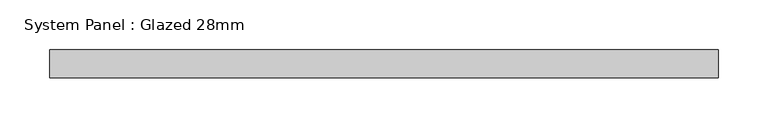
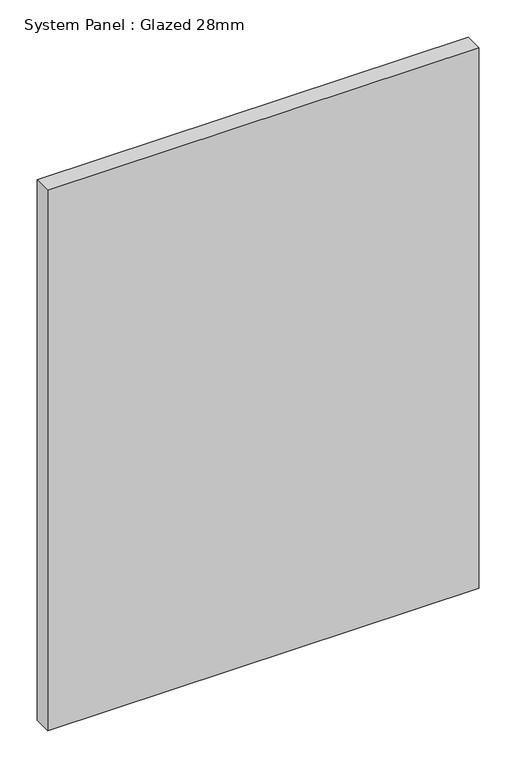
"""IFC4 building model written with IfcOpenShell, lengths in millimetres: plate geometry, System Panel : Glazed 28mm."""

from ifc_helpers import new_model, si_unit, origin, origin_with_axes, place, context, project, spatial, polyline, outline, extrude, source, transform, mapped, element, save


def system_panel_glazed_28mm_1aa56b1e(model_context):
    return source(origin(), model_context, "Body", "SweptSolid", [
        extrude(outline(polyline([(334.7679696, -14.0), (-334.7679696, -14.0), (-334.7679696, 14.0), (334.7679696, 14.0), (334.7679696, -14.0)])), origin_with_axes(), (0.0, 0.0, 1.0), 887.6245742),
    ])


if __name__ == "__main__":
    model = new_model("IFC4")
    model_context = context("Model", 3, world=origin())
    ifc_project = project(units=[si_unit("LENGTHUNIT", "METRE", prefix="MILLI")], contexts=[model_context])
    site = spatial("IfcSite", under=ifc_project)
    building = spatial("IfcBuilding", under=site)
    placement = place(None, origin())
    system_panel_glazed_28mm_shape = system_panel_glazed_28mm_1aa56b1e(model_context)
    element("IfcPlate", 1, ObjectType="System Panel : Glazed 28mm", at=placement, inside=building, context=model_context, shape_type="MappedRepresentation", body=[
        mapped(system_panel_glazed_28mm_shape, transform((0.0, 0.0, 0.0), x_axis=(1.0, 0.0, 0.0), y_axis=(0.0, 1.0, 0.0), z_axis=(0.0, 0.0, 1.0))),
    ])
    save(model, "model.ifc")
